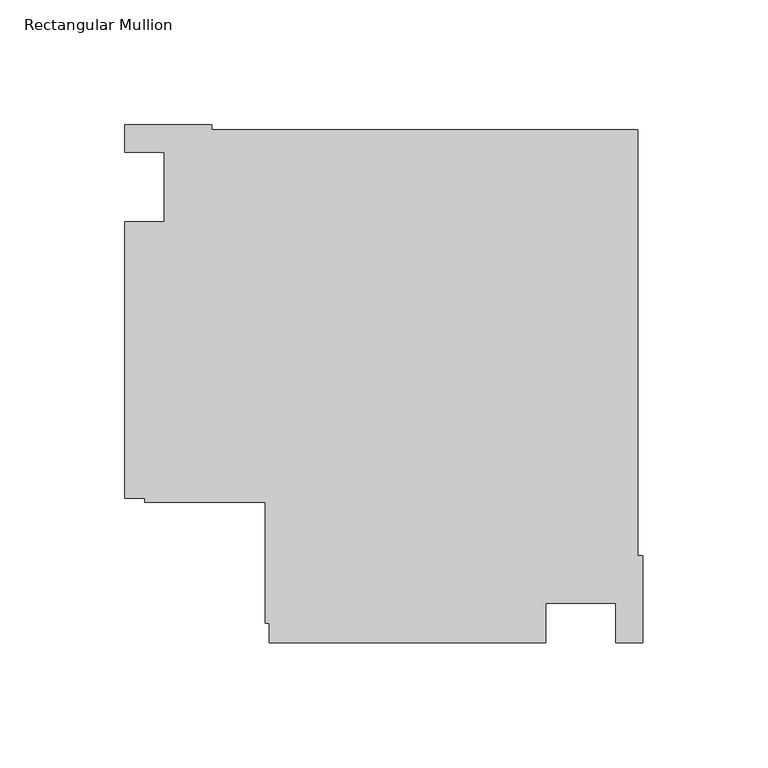
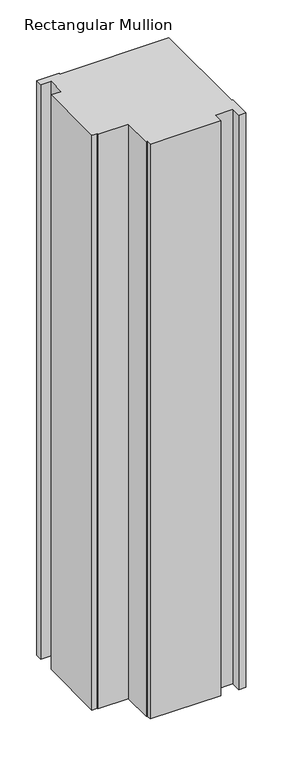
"""IFC4 building model written with IfcOpenShell, lengths in millimetres: member geometry, Rectangular Mullion."""

from ifc_helpers import new_model, si_unit, frame, origin, place, context, project, spatial, polyline, outline, extrude, source, transform, mapped, element, save


def rectangular_mullion_8df1bedc(model_context):
    return source(origin(), model_context, "Body", "SweptSolid", [
        extrude(outline(polyline([(-38.9998882, -182.9914777), (-150.0, -182.9914777), (-150.0, -175.0000025), (-151.6, -175.0000025), (-151.6, -126.6000025), (-200.0, -126.6000025), (-200.0, -125.0000025), (-207.9999976, -125.0000025), (-207.9999976, -13.9998907), (-191.9999976, -13.9998907), (-191.9999976, 13.9997041), (-207.9999976, 13.9997041), (-207.9999976, 25.0), (-172.9999713, 25.0), (-172.9999713, 22.9147834), (-2.0852141, 22.9147834), (-2.0852141, -147.9999738), (0.0, -147.9999738), (0.0, -183.0000001), (-10.996264, -183.0000001), (-10.996264, -166.9914777), (-38.9998882, -166.9914777), (-38.9998882, -182.9914777)])), frame((0.0, 0.0, -953.6595328), z_axis=(0.0, 0.0, 1.0), x_axis=(1.0, 0.0, 0.0)), (0.0, 0.0, 1.0), 953.6595328),
    ])


if __name__ == "__main__":
    model = new_model("IFC4")
    model_context = context("Model", 3, world=origin())
    ifc_project = project(units=[si_unit("LENGTHUNIT", "METRE", prefix="MILLI")], contexts=[model_context])
    site = spatial("IfcSite", under=ifc_project)
    building = spatial("IfcBuilding", under=site)
    placement = place(None, origin())
    rectangular_mullion_shape = rectangular_mullion_8df1bedc(model_context)
    element("IfcMember", 1, ObjectType="Rectangular Mullion", at=placement, inside=building, context=model_context, shape_type="MappedRepresentation", body=[
        mapped(rectangular_mullion_shape, transform((0.0, 0.0, 0.0), x_axis=(1.0, 0.0, 0.0), y_axis=(0.0, 1.0, 0.0), z_axis=(0.0, 0.0, 1.0))),
    ])
    save(model, "model.ifc")
